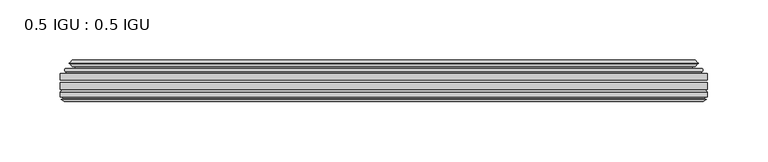
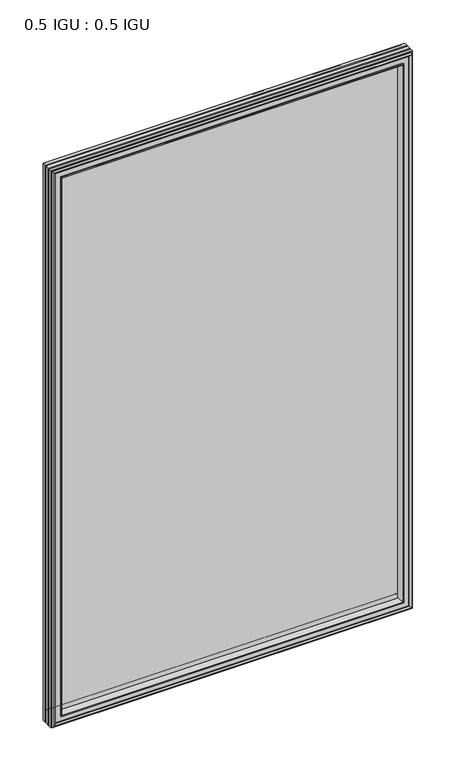
"""IFC4 building model written with IfcOpenShell, lengths in millimetres: plate geometry, 0.5 IGU : 0.5 IGU."""

from ifc_helpers import new_model, si_unit, frame, origin, place, context, project, spatial, polyline, ellipse_curve, outline, extrude, faceted_brep, source, transform, mapped, element, save
from ifc_brep_helpers import plane_surface, cylinder_surface, revolved_surface, advanced_brep


def plate_0_5_igu_0_5_igu_9e12f80e(model_context):
    return source(origin(), model_context, "Body", "SolidModel", [
        extrude(outline(polyline([(268.2858, -55.82285), (268.2858, -61.48705), (-268.271625, -61.48705), (-268.271625, -55.82285), (268.2858, -55.82285)])), frame((0.0, 0.0, -14.2875), z_axis=(0.0, 0.0, 1.0), x_axis=(1.0, 0.0, 0.0)), (0.0, 0.0, 1.0), 873.1287979),
        extrude(outline(polyline([(-268.271625, -69.05625), (-268.271625, -63.39205), (268.2858, -63.39205), (268.2858, -69.05625), (-268.271625, -69.05625)])), frame((0.0, 0.0, -14.2875), z_axis=(0.0, 0.0, 1.0), x_axis=(1.0, 0.0, 0.0)), (0.0, 0.0, 1.0), 873.1287979),
        advanced_brep(
        [(-264.1690876, -54.3724927, 854.7349626), (-263.1245628, -51.60645, 853.6904378), (-263.1245628, -51.60645, -9.1404378), (-264.1690876, -54.3724927, -10.1849626), (-262.532642, -55.82285, 853.098517), (-262.532642, -55.82285, -8.548517), (-253.984125, -45.63745, 844.55), (-250.4014011, -55.82285, 840.9672761), (-250.4014011, -55.82285, 3.5827239), (-253.984125, -45.63745, 0.0), (-259.1700359, -46.8185491, 849.7359109), (-259.1700359, -46.8185491, -5.1859109), (-258.3730143, -44.8183085, 848.9388893), (-258.3730143, -44.8183085, -4.3888893), (-260.6567361, -47.135817, 851.2226111), (-260.6567361, -47.135817, -6.6726111), (-260.6567361, -47.8489429, 851.2226111), (-260.6567361, -47.8489429, -6.6726111), (-258.3730143, -50.1664515, 848.9388893), (-258.3730143, -50.1664515, -4.3888893), (-259.1623751, -48.1854367, 849.7282501), (-259.1623751, -48.1854367, -5.1782501), (-256.6385629, -48.027045, 847.2044379), (-256.6385629, -48.027045, -2.6544379), (-255.6127467, -48.7147544, 846.1786217), (-255.6127467, -48.7147544, -1.6286217), (-255.7311538, -50.1092231, 846.2970288), (-255.7311538, -50.1092231, -1.7470288), (-256.3328998, -51.60645, 846.8987748), (-256.3328998, -51.60645, -2.3487748), (263.1245628, -51.60645, -9.1404378), (264.1690876, -54.3724927, -10.1849626), (262.532642, -55.82285, -8.548517), (250.4014011, -55.82285, 3.5827239), (253.984125, -45.63745, 0.0), (259.1700359, -46.8185491, -5.1859109), (258.3730143, -44.8183085, -4.3888893), (260.6567361, -47.135817, -6.6726111), (260.6567361, -47.8489429, -6.6726111), (258.3730143, -50.1664515, -4.3888893), (259.1623751, -48.1854367, -5.1782501), (256.6385629, -48.027045, -2.6544379), (255.6127467, -48.7147544, -1.6286217), (255.7311538, -50.1092231, -1.7470288), (256.3328998, -51.60645, -2.3487748), (263.1245628, -51.60645, 853.6904378), (264.1690876, -54.3724927, 854.7349626), (262.532642, -55.82285, 853.098517), (250.4014011, -55.82285, 840.9672761), (253.984125, -45.63745, 844.55), (259.1700359, -46.8185491, 849.7359109), (258.3730143, -44.8183085, 848.9388893), (260.6567361, -47.135817, 851.2226111), (260.6567361, -47.8489429, 851.2226111), (258.3730143, -50.1664515, 848.9388893), (259.1623751, -48.1854367, 849.7282501), (256.6385629, -48.027045, 847.2044379), (255.6127467, -48.7147544, 846.1786217), (255.7311538, -50.1092231, 846.2970288), (256.3328998, -51.60645, 846.8987748)],
        [
            (0, 1, ellipse_curve(frame((-263.1161953, -53.1898501, 853.6820703), z_axis=(-0.7071067811865475, 0.0, -0.7071067811865475), x_axis=(-0.7071067811865474, 0.0, 0.7071067811865476)), 2.2392971, 1.5834222)),
            (1, 2),
            (2, 3, ellipse_curve(frame((-263.1161953, -53.1898501, -9.1320703), z_axis=(-0.7071067811865475, 0.0, 0.7071067811865475), x_axis=(0.7071067811865474, 0.0, 0.7071067811865476)), 2.2392971, 1.5834222)),
            (3, 0),
            (4, 0),
            (3, 5),
            (5, 4),
            (6, 7, ellipse_curve(frame((-221.704371, -40.0058297, 812.270246), z_axis=(0.7071067811865475, 0.0, 0.7071067811865475), x_axis=(0.7071067811865474, 0.0, -0.7071067811865476)), 46.3399971, 32.7673262)),
            (7, 8),
            (8, 9, ellipse_curve(frame((-221.704371, -40.0058297, 32.279754), z_axis=(0.7071067811865475, 0.0, -0.7071067811865475), x_axis=(-0.7071067811865474, 0.0, -0.7071067811865476)), 46.3399971, 32.7673262)),
            (9, 6),
            (10, 6),
            (9, 11),
            (11, 10),
            (12, 10),
            (11, 13),
            (13, 12),
            (14, 12),
            (13, 15),
            (15, 14),
            (16, 14, ellipse_curve(frame((-260.2948979, -47.49238, 850.8607729), z_axis=(-0.7071067811865475, 0.0, -0.7071067811865475), x_axis=(-0.7071067811865474, 0.0, 0.7071067811865476)), 0.7184205, 0.508)),
            (15, 17, ellipse_curve(frame((-260.2948979, -47.49238, -6.3107729), z_axis=(-0.7071067811865475, 0.0, 0.7071067811865475), x_axis=(0.7071067811865474, 0.0, 0.7071067811865476)), 0.7184205, 0.508)),
            (17, 16),
            (18, 16),
            (17, 19),
            (19, 18),
            (20, 18),
            (19, 21),
            (21, 20),
            (22, 20),
            (21, 23),
            (23, 22),
            (24, 22, ellipse_curve(frame((-256.574925, -49.04105, 847.1408), z_axis=(0.7071067811865475, 0.0, 0.7071067811865475), x_axis=(0.7071067811865474, 0.0, -0.7071067811865476)), 1.436841, 1.016)),
            (23, 25, ellipse_curve(frame((-256.574925, -49.04105, -2.5908), z_axis=(0.7071067811865475, 0.0, -0.7071067811865475), x_axis=(-0.7071067811865474, 0.0, -0.7071067811865476)), 1.436841, 1.016)),
            (25, 24),
            (26, 24, ellipse_curve(frame((-257.946525, -49.21885, 848.5124), z_axis=(0.7071067811865475, 0.0, 0.7071067811865475), x_axis=(0.7071067811865474, 0.0, -0.7071067811865476)), 3.3765763, 2.3876)),
            (25, 27, ellipse_curve(frame((-257.946525, -49.21885, -3.9624), z_axis=(0.7071067811865475, 0.0, -0.7071067811865475), x_axis=(-0.7071067811865474, 0.0, -0.7071067811865476)), 3.3765763, 2.3876)),
            (27, 26),
            (28, 26),
            (27, 29),
            (29, 28),
            (2, 30),
            (30, 31, ellipse_curve(frame((263.1161953, -53.1898501, -9.1320703), z_axis=(-0.7071067811865475, 0.0, -0.7071067811865475), x_axis=(-0.7071067811865476, 0.0, 0.7071067811865474)), 2.2392971, 1.5834222)),
            (31, 3),
            (31, 32),
            (32, 5),
            (8, 33),
            (33, 34, ellipse_curve(frame((221.704371, -40.0058297, 32.279754), z_axis=(0.7071067811865475, 0.0, 0.7071067811865475), x_axis=(0.7071067811865476, 0.0, -0.7071067811865474)), 46.3399971, 32.7673262)),
            (34, 9),
            (34, 35),
            (35, 11),
            (35, 36),
            (36, 13),
            (36, 37),
            (37, 15),
            (37, 38, ellipse_curve(frame((260.2948979, -47.49238, -6.3107729), z_axis=(-0.7071067811865475, 0.0, -0.7071067811865475), x_axis=(-0.7071067811865476, 0.0, 0.7071067811865474)), 0.7184205, 0.508)),
            (38, 17),
            (38, 39),
            (39, 19),
            (39, 40),
            (40, 21),
            (40, 41),
            (41, 23),
            (41, 42, ellipse_curve(frame((256.574925, -49.04105, -2.5908), z_axis=(0.7071067811865475, 0.0, 0.7071067811865475), x_axis=(0.7071067811865476, 0.0, -0.7071067811865474)), 1.436841, 1.016)),
            (42, 25),
            (42, 43, ellipse_curve(frame((257.946525, -49.21885, -3.9624), z_axis=(0.7071067811865475, 0.0, 0.7071067811865475), x_axis=(0.7071067811865476, 0.0, -0.7071067811865474)), 3.3765763, 2.3876)),
            (43, 27),
            (43, 44),
            (44, 29),
            (30, 45),
            (45, 46, ellipse_curve(frame((263.1161953, -53.1898501, 853.6820703), z_axis=(0.7071067811865475, 0.0, -0.7071067811865475), x_axis=(-0.7071067811865474, 0.0, -0.7071067811865476)), 2.2392971, 1.5834222)),
            (46, 31),
            (46, 47),
            (47, 32),
            (33, 48),
            (48, 49, ellipse_curve(frame((221.704371, -40.0058297, 812.270246), z_axis=(-0.7071067811865475, 0.0, 0.7071067811865475), x_axis=(0.7071067811865474, 0.0, 0.7071067811865476)), 46.3399971, 32.7673262)),
            (49, 34),
            (49, 50),
            (50, 35),
            (50, 51),
            (51, 36),
            (51, 52),
            (52, 37),
            (52, 53, ellipse_curve(frame((260.2948979, -47.49238, 850.8607729), z_axis=(0.7071067811865475, 0.0, -0.7071067811865475), x_axis=(-0.7071067811865474, 0.0, -0.7071067811865476)), 0.7184205, 0.508)),
            (53, 38),
            (53, 54),
            (54, 39),
            (54, 55),
            (55, 40),
            (55, 56),
            (56, 41),
            (56, 57, ellipse_curve(frame((256.574925, -49.04105, 847.1408), z_axis=(-0.7071067811865475, 0.0, 0.7071067811865475), x_axis=(0.7071067811865474, 0.0, 0.7071067811865476)), 1.436841, 1.016)),
            (57, 42),
            (57, 58, ellipse_curve(frame((257.946525, -49.21885, 848.5124), z_axis=(-0.7071067811865475, 0.0, 0.7071067811865475), x_axis=(0.7071067811865474, 0.0, 0.7071067811865476)), 3.3765763, 2.3876)),
            (58, 43),
            (58, 59),
            (59, 44),
            (45, 1),
            (0, 46),
            (4, 47),
            (7, 48),
            (6, 49),
            (10, 50),
            (12, 51),
            (14, 52),
            (16, 53),
            (18, 54),
            (20, 55),
            (22, 56),
            (24, 57),
            (26, 58),
            (28, 59),
        ],
        [
            cylinder_surface(frame((-263.1161953, -53.1898501, 876.3), z_axis=(0.0, 0.0, 1.0), x_axis=(-1.0, 0.0, 0.0)), 1.5834222),
            plane_surface(frame((-264.1690876, -54.3724927, 854.7349626), z_axis=(-0.6632745773184306, -0.7483761320907135, 0.0), x_axis=(0.0, 0.0, -1.0))),
            revolved_surface(polyline([(-254.4716972, -40.0058297, -0.48757218957496207), (-254.4716972, -40.0058297, 845.037572189575)]), (-221.704371, -40.0058297, 876.3), (0.0, 0.0, -1.0)),
            plane_surface(frame((-253.984125, -45.63745, 844.55), z_axis=(-0.2220649844278743, 0.975031867525902, 0.0), x_axis=(0.0, 0.0, -1.0))),
            plane_surface(frame((-259.1700359, -46.8185491, 849.7359109), z_axis=(0.928968268563027, -0.37015936568323066, 0.0), x_axis=(0.0, 0.0, -1.0))),
            plane_surface(frame((-258.3730143, -44.8183085, 848.9388893), z_axis=(-0.7122798501733482, 0.7018955869907096, 0.0), x_axis=(0.0, 0.0, -1.0))),
            cylinder_surface(frame((-260.2948979, -47.49238, 876.3), z_axis=(0.0, 0.0, 1.0), x_axis=(-1.0, 0.0, 0.0)), 0.508),
            plane_surface(frame((-260.6567361, -47.8489429, 851.2226111), z_axis=(-0.7122798501732925, -0.701895586990766, 0.0), x_axis=(0.0, 0.0, -1.0))),
            plane_surface(frame((-258.3730143, -50.1664515, 848.9388893), z_axis=(0.9289682685628707, 0.3701593656836228, 0.0), x_axis=(0.0, 0.0, -1.0))),
            plane_surface(frame((-259.1623751, -48.1854367, 849.7282501), z_axis=(0.0626357011928498, -0.9980364567169279, 0.0), x_axis=(0.0, 0.0, -1.0))),
            revolved_surface(polyline([(-257.590925, -49.04105, -3.606800014586838), (-257.590925, -49.04105, 848.1568000145869)]), (-256.574925, -49.04105, 876.3), (0.0, 0.0, -1.0)),
            revolved_surface(polyline([(-260.33412500000003, -49.21885, -6.3499999989237494), (-260.33412500000003, -49.21885, 850.8999999989237)]), (-257.946525, -49.21885, 876.3), (0.0, 0.0, -1.0)),
            plane_surface(frame((-255.7311538, -50.1092231, 846.2970288), z_axis=(-0.9278652925428184, 0.3729155385532094, 0.0), x_axis=(0.0, 0.0, -1.0))),
            cylinder_surface(frame((-285.734125, -53.1898501, -9.1320703), z_axis=(-1.0, 0.0, 0.0), x_axis=(0.0, 0.0, -1.0)), 1.5834222),
            plane_surface(frame((-264.1690876, -54.3724927, -10.1849626), z_axis=(0.0, -0.7483761320907157, -0.6632745773184283), x_axis=(1.0, 0.0, 0.0))),
            revolved_surface(polyline([(254.47169718957497, -40.0058297, -0.48757220000000245), (-254.47169718957494, -40.0058297, -0.48757220000000245)]), (-285.734125, -40.0058297, 32.279754), (1.0, 0.0, 0.0)),
            plane_surface(frame((-253.984125, -45.63745, 0.0), z_axis=(0.0, 0.9750318675259013, -0.22206498442787745), x_axis=(1.0, 0.0, 0.0))),
            plane_surface(frame((-259.1700359, -46.8185491, -5.1859109), z_axis=(0.0, -0.37015936568322766, 0.9289682685630283), x_axis=(1.0, 0.0, 0.0))),
            plane_surface(frame((-258.3730143, -44.8183085, -4.3888893), z_axis=(0.0, 0.7018955869907073, -0.7122798501733504), x_axis=(1.0, 0.0, 0.0))),
            cylinder_surface(frame((-285.734125, -47.49238, -6.3107729), z_axis=(-1.0, 0.0, 0.0), x_axis=(0.0, 0.0, -1.0)), 0.508),
            plane_surface(frame((-260.6567361, -47.8489429, -6.6726111), z_axis=(0.0, -0.7018955869907684, -0.7122798501732903), x_axis=(1.0, 0.0, 0.0))),
            plane_surface(frame((-258.3730143, -50.1664515, -4.3888893), z_axis=(0.0, 0.37015936568362584, 0.9289682685628696), x_axis=(1.0, 0.0, 0.0))),
            plane_surface(frame((-259.1623751, -48.1854367, -5.1782501), z_axis=(0.0, -0.9980364567169276, 0.06263570119285301), x_axis=(1.0, 0.0, 0.0))),
            revolved_surface(polyline([(257.59092501458696, -49.04105, -3.6068000000000002), (-257.59092501458684, -49.04105, -3.6068000000000002)]), (-285.734125, -49.04105, -2.5908), (1.0, 0.0, 0.0)),
            revolved_surface(polyline([(260.33412499892376, -49.21885, -6.35), (-260.3341249989238, -49.21885, -6.35)]), (-285.734125, -49.21885, -3.9624), (1.0, 0.0, 0.0)),
            plane_surface(frame((-255.7311538, -50.1092231, -1.7470288), z_axis=(0.0, 0.3729155385532064, -0.9278652925428196), x_axis=(1.0, 0.0, 0.0))),
            cylinder_surface(frame((263.1161953, -53.1898501, -31.75), z_axis=(0.0, 0.0, -1.0), x_axis=(1.0, 0.0, 0.0)), 1.5834222),
            plane_surface(frame((264.1690876, -54.3724927, -10.1849626), z_axis=(0.6632745773184259, -0.7483761320907178, 0.0), x_axis=(0.0, 0.0, 1.0))),
            revolved_surface(polyline([(254.4716972, -40.0058297, 845.037572189575), (254.4716972, -40.0058297, -0.48757218957494075)]), (221.704371, -40.0058297, -31.75), (0.0, 0.0, 1.0)),
            plane_surface(frame((253.984125, -45.63745, 0.0), z_axis=(0.22206498442788056, 0.9750318675259005, 0.0), x_axis=(0.0, 0.0, 1.0))),
            plane_surface(frame((259.1700359, -46.8185491, -5.1859109), z_axis=(-0.9289682685630295, -0.37015936568322466, 0.0), x_axis=(0.0, 0.0, 1.0))),
            plane_surface(frame((258.3730143, -44.8183085, -4.3888893), z_axis=(0.7122798501733526, 0.701895586990705, 0.0), x_axis=(0.0, 0.0, 1.0))),
            cylinder_surface(frame((260.2948979, -47.49238, -31.75), z_axis=(0.0, 0.0, -1.0), x_axis=(1.0, 0.0, 0.0)), 0.508),
            plane_surface(frame((260.6567361, -47.8489429, -6.6726111), z_axis=(0.712279850173288, -0.7018955869907706, 0.0), x_axis=(0.0, 0.0, 1.0))),
            plane_surface(frame((258.3730143, -50.1664515, -4.3888893), z_axis=(-0.9289682685628684, 0.37015936568362884, 0.0), x_axis=(0.0, 0.0, 1.0))),
            plane_surface(frame((259.1623751, -48.1854367, -5.1782501), z_axis=(-0.06263570119285623, -0.9980364567169274, 0.0), x_axis=(0.0, 0.0, 1.0))),
            revolved_surface(polyline([(257.590925, -49.04105, 848.1568000145869), (257.590925, -49.04105, -3.606800014586863)]), (256.574925, -49.04105, -31.75), (0.0, 0.0, 1.0)),
            revolved_surface(polyline([(260.33412500000003, -49.21885, 850.8999999989237), (260.33412500000003, -49.21885, -6.349999998923781)]), (257.946525, -49.21885, -31.75), (0.0, 0.0, 1.0)),
            plane_surface(frame((255.7311538, -50.1092231, -1.7470288), z_axis=(0.9278652925428208, 0.3729155385532034, 0.0), x_axis=(0.0, 0.0, 1.0))),
            cylinder_surface(frame((285.734125, -53.1898501, 853.6820703), z_axis=(1.0, 0.0, 0.0), x_axis=(0.0, 0.0, 1.0)), 1.5834222),
            plane_surface(frame((264.1690876, -54.3724927, 854.7349626), z_axis=(0.0, -0.7483761320907157, 0.6632745773184283), x_axis=(-1.0, 0.0, 0.0))),
            plane_surface(frame((262.532642, -55.82285, 853.098517), z_axis=(0.0, -1.0, 0.0), x_axis=(-1.0, 0.0, 0.0))),
            revolved_surface(polyline([(-254.47169718957497, -40.0058297, 845.0375722), (254.47169718957494, -40.0058297, 845.0375722)]), (285.734125, -40.0058297, 812.270246), (-1.0, 0.0, 0.0)),
            plane_surface(frame((253.984125, -45.63745, 844.55), z_axis=(0.0, 0.9750318675259012, 0.22206498442787742), x_axis=(-1.0, 0.0, 0.0))),
            plane_surface(frame((259.1700359, -46.8185491, 849.7359109), z_axis=(0.0, -0.37015936568322766, -0.9289682685630283), x_axis=(-1.0, 0.0, 0.0))),
            plane_surface(frame((258.3730143, -44.8183085, 848.9388893), z_axis=(0.0, 0.7018955869907073, 0.7122798501733504), x_axis=(-1.0, 0.0, 0.0))),
            cylinder_surface(frame((285.734125, -47.49238, 850.8607729), z_axis=(1.0, 0.0, 0.0), x_axis=(0.0, 0.0, 1.0)), 0.508),
            plane_surface(frame((260.6567361, -47.8489429, 851.2226111), z_axis=(0.0, -0.7018955869907684, 0.7122798501732903), x_axis=(-1.0, 0.0, 0.0))),
            plane_surface(frame((258.3730143, -50.1664515, 848.9388893), z_axis=(0.0, 0.37015936568362584, -0.9289682685628696), x_axis=(-1.0, 0.0, 0.0))),
            plane_surface(frame((259.1623751, -48.1854367, 849.7282501), z_axis=(0.0, -0.9980364567169276, -0.06263570119285301), x_axis=(-1.0, 0.0, 0.0))),
            revolved_surface(polyline([(-257.59092501458696, -49.04105, 848.1568), (257.59092501458684, -49.04105, 848.1568)]), (285.734125, -49.04105, 847.1408), (-1.0, 0.0, 0.0)),
            revolved_surface(polyline([(-260.33412499892376, -49.21885, 850.9), (260.3341249989238, -49.21885, 850.9)]), (285.734125, -49.21885, 848.5124), (-1.0, 0.0, 0.0)),
            plane_surface(frame((255.7311538, -50.1092231, 846.2970288), z_axis=(0.0, 0.3729155385532064, 0.9278652925428196), x_axis=(-1.0, 0.0, 0.0))),
            plane_surface(frame((256.3328998, -51.60645, 846.8987748), z_axis=(0.0, 1.0, 0.0), x_axis=(-1.0, 0.0, 0.0))),
        ],
        [
            (0, [[1, 2, 3, 4]]),
            (1, [[5, -4, 6, 7]]),
            (2, [[8, 9, 10, 11]]),
            (3, [[12, -11, 13, 14]]),
            (4, [[15, -14, 16, 17]]),
            (5, [[18, -17, 19, 20]]),
            (6, [[21, -20, 22, 23]]),
            (7, [[24, -23, 25, 26]]),
            (8, [[27, -26, 28, 29]]),
            (9, [[30, -29, 31, 32]]),
            (10, [[33, -32, 34, 35]]),
            (11, [[36, -35, 37, 38]]),
            (12, [[39, -38, 40, 41]]),
            (13, [[-3, 42, 43, 44]]),
            (14, [[-6, -44, 45, 46]]),
            (15, [[-10, 47, 48, 49]]),
            (16, [[-13, -49, 50, 51]]),
            (17, [[-16, -51, 52, 53]]),
            (18, [[-19, -53, 54, 55]]),
            (19, [[-22, -55, 56, 57]]),
            (20, [[-25, -57, 58, 59]]),
            (21, [[-28, -59, 60, 61]]),
            (22, [[-31, -61, 62, 63]]),
            (23, [[-34, -63, 64, 65]]),
            (24, [[-37, -65, 66, 67]]),
            (25, [[-40, -67, 68, 69]]),
            (26, [[-43, 70, 71, 72]]),
            (27, [[-45, -72, 73, 74]]),
            (28, [[-48, 75, 76, 77]]),
            (29, [[-50, -77, 78, 79]]),
            (30, [[-52, -79, 80, 81]]),
            (31, [[-54, -81, 82, 83]]),
            (32, [[-56, -83, 84, 85]]),
            (33, [[-58, -85, 86, 87]]),
            (34, [[-60, -87, 88, 89]]),
            (35, [[-62, -89, 90, 91]]),
            (36, [[-64, -91, 92, 93]]),
            (37, [[-66, -93, 94, 95]]),
            (38, [[-68, -95, 96, 97]]),
            (39, [[-71, 98, -1, 99]]),
            (40, [[-73, -99, -5, 100]]),
            (41, [[-46, -74, -100, -7], [101, -75, -47, -9]]),
            (42, [[-76, -101, -8, 102]]),
            (43, [[-78, -102, -12, 103]]),
            (44, [[-80, -103, -15, 104]]),
            (45, [[-82, -104, -18, 105]]),
            (46, [[-84, -105, -21, 106]]),
            (47, [[-86, -106, -24, 107]]),
            (48, [[-88, -107, -27, 108]]),
            (49, [[-90, -108, -30, 109]]),
            (50, [[-92, -109, -33, 110]]),
            (51, [[-94, -110, -36, 111]]),
            (52, [[-96, -111, -39, 112]]),
            (53, [[-98, -70, -42, -2], [-69, -97, -112, -41]]),
        ],
    ),
        faceted_brep([(-250.1299077, -69.05625, 840.6957827), (-252.6962048, -77.94625, 843.2620798), (-252.6962048, -77.94625, 1.2879202), (-250.1299077, -69.05625, 3.8542173), (-268.284325, -71.2633102, 858.8502), (-266.0772648, -69.05625, 856.6431398), (-266.0772648, -69.05625, -12.0931398), (-268.284325, -71.2633102, -14.3002), (-268.284325, -75.40625, 858.8502), (-268.284325, -75.40625, -14.3002), (-265.8653025, -76.58989, 856.4311775), (-266.734925, -75.40625, 857.3008), (-266.734925, -75.40625, -12.7508), (-265.8653025, -76.58989, -11.8811775), (-265.668125, -77.8875884, 856.234), (-265.668125, -77.8875884, -11.684), (-266.643785, -77.3578917, 857.20966), (-266.643785, -77.3578917, -12.65966), (-265.109325, -79.1749663, 855.6752), (-267.4364555, -77.3578917, 858.0023305), (-267.4364555, -77.3578917, -13.4523305), (-265.109325, -79.1749663, -11.1252), (-262.7821945, -77.3578917, 853.3480695), (-262.7821945, -77.3578917, -8.7980695), (-264.550525, -77.8875884, 855.1164), (-263.574865, -77.3578917, 854.14074), (-263.574865, -77.3578917, -9.59074), (-264.550525, -77.8875884, -10.5664), (-264.3533475, -76.58989, 854.9192225), (-264.3533475, -76.58989, -10.3692225), (-263.483725, -75.40625, 854.0496), (-263.483725, -75.40625, -9.4996), (-254.3354917, -77.94625, 844.9013667), (-253.806325, -75.40625, 844.3722), (-253.806325, -75.40625, 0.1778), (-254.3354917, -77.94625, -0.3513667), (252.6962048, -77.94625, 1.2879202), (250.1299077, -69.05625, 3.8542173), (266.0772648, -69.05625, -12.0931398), (268.284325, -71.2633102, -14.3002), (268.284325, -75.40625, -14.3002), (266.734925, -75.40625, -12.7508), (265.8653025, -76.58989, -11.8811775), (265.668125, -77.8875884, -11.684), (266.643785, -77.3578917, -12.65966), (267.4364555, -77.3578917, -13.4523305), (265.109325, -79.1749663, -11.1252), (262.7821945, -77.3578917, -8.7980695), (263.574865, -77.3578917, -9.59074), (264.550525, -77.8875884, -10.5664), (264.3533475, -76.58989, -10.3692225), (263.483725, -75.40625, -9.4996), (253.806325, -75.40625, 0.1778), (254.3354917, -77.94625, -0.3513667), (252.6962048, -77.94625, 843.2620798), (250.1299077, -69.05625, 840.6957827), (266.0772648, -69.05625, 856.6431398), (268.284325, -71.2633102, 858.8502), (268.284325, -75.40625, 858.8502), (266.734925, -75.40625, 857.3008), (265.8653025, -76.58989, 856.4311775), (265.668125, -77.8875884, 856.234), (266.643785, -77.3578917, 857.20966), (267.4364555, -77.3578917, 858.0023305), (265.109325, -79.1749663, 855.6752), (262.7821945, -77.3578917, 853.3480695), (263.574865, -77.3578917, 854.14074), (264.550525, -77.8875884, 855.1164), (264.3533475, -76.58989, 854.9192225), (263.483725, -75.40625, 854.0496), (253.806325, -75.40625, 844.3722), (254.3354917, -77.94625, 844.9013667)], [[[0, 1, 2, 3]], [[4, 5, 6, 7]], [[8, 4, 7, 9]], [[10, 11, 12, 13]], [[14, 10, 13, 15]], [[16, 14, 15, 17]], [[18, 19, 20, 21]], [[22, 18, 21, 23]], [[24, 25, 26, 27]], [[28, 24, 27, 29]], [[30, 28, 29, 31]], [[32, 33, 34, 35]], [[3, 2, 36, 37]], [[7, 6, 38, 39]], [[9, 7, 39, 40]], [[13, 12, 41, 42]], [[15, 13, 42, 43]], [[17, 15, 43, 44]], [[21, 20, 45, 46]], [[23, 21, 46, 47]], [[27, 26, 48, 49]], [[29, 27, 49, 50]], [[31, 29, 50, 51]], [[35, 34, 52, 53]], [[37, 36, 54, 55]], [[39, 38, 56, 57]], [[40, 39, 57, 58]], [[42, 41, 59, 60]], [[43, 42, 60, 61]], [[44, 43, 61, 62]], [[46, 45, 63, 64]], [[47, 46, 64, 65]], [[49, 48, 66, 67]], [[50, 49, 67, 68]], [[51, 50, 68, 69]], [[53, 52, 70, 71]], [[55, 54, 1, 0]], [[5, 56, 38, 6], [3, 37, 55, 0]], [[57, 56, 5, 4]], [[58, 57, 4, 8]], [[9, 40, 58, 8], [11, 59, 41, 12]], [[60, 59, 11, 10]], [[61, 60, 10, 14]], [[62, 61, 14, 16]], [[19, 63, 45, 20], [17, 44, 62, 16]], [[64, 63, 19, 18]], [[65, 64, 18, 22]], [[25, 66, 48, 26], [23, 47, 65, 22]], [[67, 66, 25, 24]], [[68, 67, 24, 28]], [[69, 68, 28, 30]], [[31, 51, 69, 30], [33, 70, 52, 34]], [[71, 70, 33, 32]], [[35, 53, 71, 32], [1, 54, 36, 2]]]),
    ])


if __name__ == "__main__":
    model = new_model("IFC4")
    model_context = context("Model", 3, world=origin())
    ifc_project = project(units=[si_unit("LENGTHUNIT", "METRE", prefix="MILLI")], contexts=[model_context])
    site = spatial("IfcSite", under=ifc_project)
    building = spatial("IfcBuilding", under=site)
    placement = place(None, origin())
    plate_0_5_igu_0_5_igu_shape = plate_0_5_igu_0_5_igu_9e12f80e(model_context)
    element("IfcPlate", 1, ObjectType="0.5 IGU : 0.5 IGU", at=placement, inside=building, context=model_context, shape_type="MappedRepresentation", body=[
        mapped(plate_0_5_igu_0_5_igu_shape, transform((0.0, 0.0, 0.0), x_axis=(1.0, 0.0, 0.0), y_axis=(0.0, 1.0, 0.0), z_axis=(0.0, 0.0, 1.0))),
    ])
    save(model, "model.ifc")
